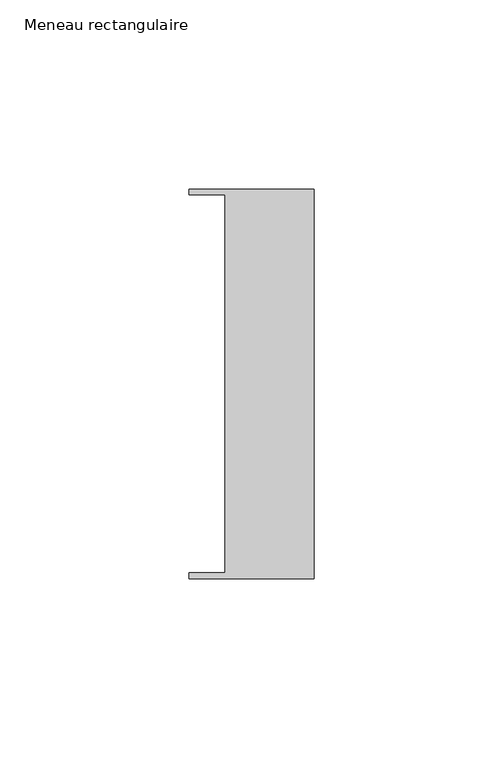
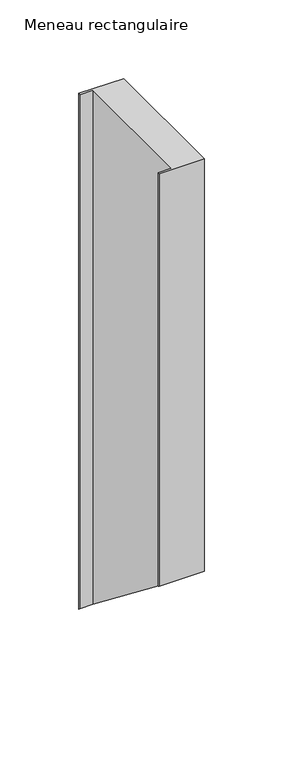
"""IFC4 building model written with IfcOpenShell, lengths in millimetres: member geometry, Meneau rectangulaire."""

from ifc_helpers import new_model, si_unit, origin, place, context, project, spatial, faceted_brep, source, transform, mapped, element, save


def meneau_rectangulaire_f0480530(model_context):
    return source(origin(), model_context, "Body", "Brep", [
        faceted_brep([(-33.0, 51.4622428, 0.0), (-33.0, 49.9614402, 0.0), (-23.4, 49.9614402, 0.0), (-23.4, -49.9505712, 0.0), (-33.0, -49.9505712, 0.0), (-33.0, -51.4712299, 0.0), (0.0, -51.4712299, 0.0), (0.0, 51.4622428, 0.0), (-33.0, 51.4622428, -400.4816109), (-33.0, 49.9614402, -399.3114062), (-23.4, 49.9614402, -399.3114062), (-23.4, -49.9505712, -321.4080869), (-33.0, -49.9505712, -321.4080869), (-33.0, -51.4712299, -320.2224001), (0.0, -51.4712299, -320.2224001), (0.0, 51.4622428, -400.4816109)], [[[0, 1, 2, 3, 4, 5, 6, 7]], [[1, 0, 8, 9]], [[2, 1, 9, 10]], [[3, 2, 10, 11]], [[4, 3, 11, 12]], [[5, 4, 12, 13]], [[6, 5, 13, 14]], [[7, 6, 14, 15]], [[0, 7, 15, 8]], [[8, 15, 14, 13, 12, 11, 10, 9]]]),
    ])


if __name__ == "__main__":
    model = new_model("IFC4")
    model_context = context("Model", 3, world=origin())
    ifc_project = project(units=[si_unit("LENGTHUNIT", "METRE", prefix="MILLI")], contexts=[model_context])
    site = spatial("IfcSite", under=ifc_project)
    building = spatial("IfcBuilding", under=site)
    placement = place(None, origin())
    meneau_rectangulaire_shape = meneau_rectangulaire_f0480530(model_context)
    element("IfcMember", 1, ObjectType="Meneau rectangulaire", at=placement, inside=building, context=model_context, shape_type="MappedRepresentation", body=[
        mapped(meneau_rectangulaire_shape, transform((0.0, 0.0, 0.0), x_axis=(1.0, 0.0, 0.0), y_axis=(0.0, 1.0, 0.0), z_axis=(0.0, 0.0, 1.0))),
    ])
    save(model, "model.ifc")
